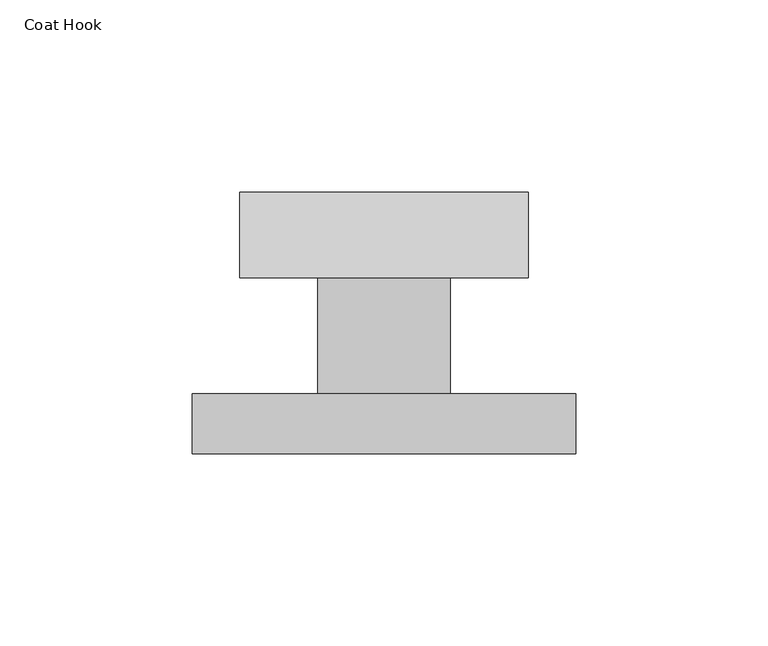
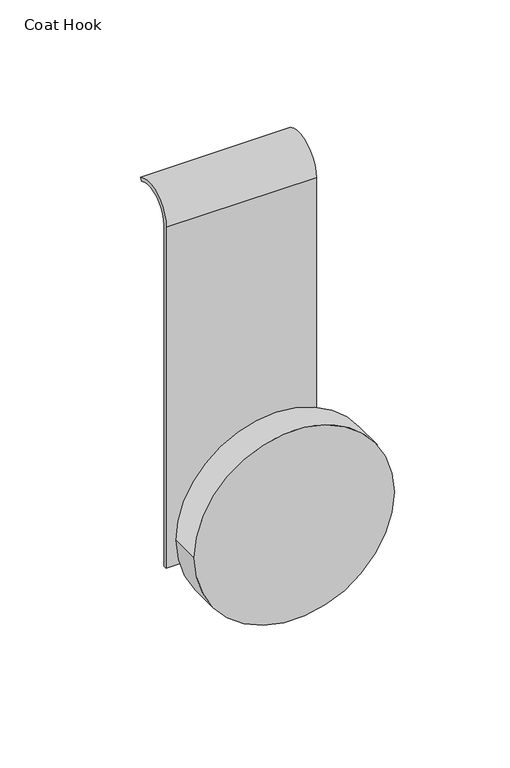
"""IFC4 building model written with IfcOpenShell, lengths in millimetres: furniture geometry, Coat Hook."""

from ifc_helpers import new_model, si_unit, point, frame, frame_2d, origin, place, context, project, spatial, polyline, circle_curve, trimmed, segment, composite_curve, outline, extrude, source, transform, mapped, element, save


def coat_hook_f547691f(model_context):
    return source(origin(), model_context, "Body", "SweptSolid", [
        extrude(outline(composite_curve([segment(trimmed(circle_curve(frame_2d((-155.6030022, 0.0)), 49.999855), [point((-155.6030022, -49.999855))], [point((-155.6030022, 49.999855))], False, "CARTESIAN"), True, "CONTINUOUS"), segment(trimmed(circle_curve(frame_2d((-155.6030022, 0.0)), 49.999855), [point((-155.6030022, 49.999855))], [point((-155.6030022, -49.999855))], False, "CARTESIAN"), True, "CONTINUOUS")], self_intersect=False)), frame((0.0, -60.874918, 0.0), z_axis=(0.0, 1.0, 0.0), x_axis=(0.0, 0.0, 1.0)), (0.0, 0.0, 1.0), 15.6249184),
        extrude(outline(composite_curve([segment(trimmed(circle_curve(frame_2d((-155.6030022, 0.0)), 17.2501099), [point((-155.6030022, -17.2501099))], [point((-155.6030022, 17.2501099))], False, "CARTESIAN"), True, "CONTINUOUS"), segment(trimmed(circle_curve(frame_2d((-155.6030022, 0.0)), 17.2501099), [point((-155.6030022, 17.2501099))], [point((-155.6030022, -17.2501099))], False, "CARTESIAN"), True, "CONTINUOUS")], self_intersect=False)), frame((0.0, -45.2499996, 0.0), z_axis=(0.0, 1.0, 0.0), x_axis=(0.0, 0.0, 1.0)), (0.0, 0.0, 1.0), 30.2500431),
        extrude(outline(composite_curve([segment(trimmed(circle_curve(frame_2d((0.0, -13.1029793)), 14.9999565), [point((-14.9999565, -13.1029793))], [point((7.3014128, 0.0))], False, "CARTESIAN"), True, "CONTINUOUS"), segment(polyline([(7.3014128, 0.0), (6.3780359, -1.657075)]), True, "CONTINUOUS"), segment(trimmed(circle_curve(frame_2d((0.0, -13.1029793)), 13.1029793), [point((6.3780359, -1.657075))], [point((-13.1029793, -13.1029793))], True, "CARTESIAN"), True, "CONTINUOUS"), segment(polyline([(-13.1029793, -13.1029793), (-13.1029793, -193.1028934), (-14.9999565, -193.1028934), (-14.9999565, -13.1029793)]), True, "CONTINUOUS")], self_intersect=False)), frame((-37.5000366, 0.0, 0.0), z_axis=(1.0, 0.0, 0.0), x_axis=(0.0, 1.0, 0.0)), (0.0, 0.0, 1.0), 75.0000732),
    ])


if __name__ == "__main__":
    model = new_model("IFC4")
    model_context = context("Model", 3, world=origin())
    ifc_project = project(units=[si_unit("LENGTHUNIT", "METRE", prefix="MILLI")], contexts=[model_context])
    site = spatial("IfcSite", under=ifc_project)
    building = spatial("IfcBuilding", under=site)
    placement = place(None, origin())
    coat_hook_shape = coat_hook_f547691f(model_context)
    element("IfcFurniture", 1, ObjectType="Coat Hook", at=placement, inside=building, context=model_context, shape_type="MappedRepresentation", body=[
        mapped(coat_hook_shape, transform((0.0, 0.0, 0.0), x_axis=(1.0, 0.0, 0.0), y_axis=(0.0, 1.0, 0.0), z_axis=(0.0, 0.0, 1.0))),
    ])
    save(model, "model.ifc")
